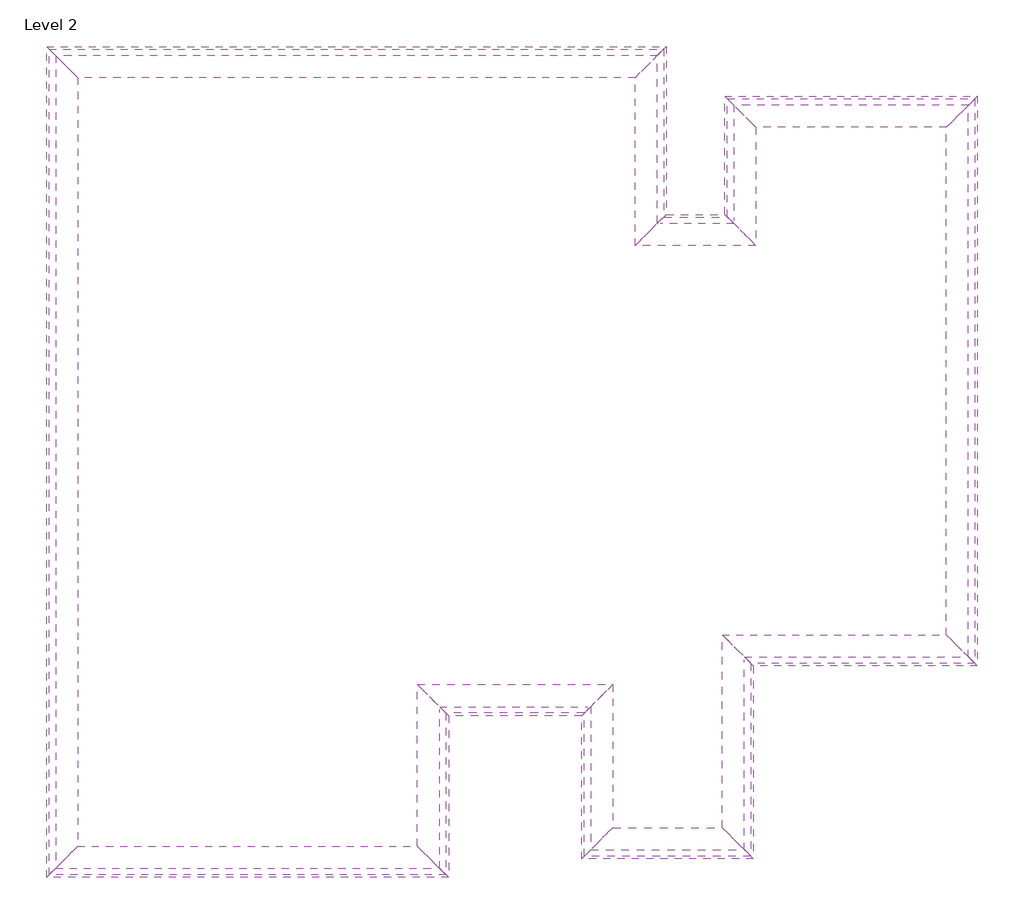
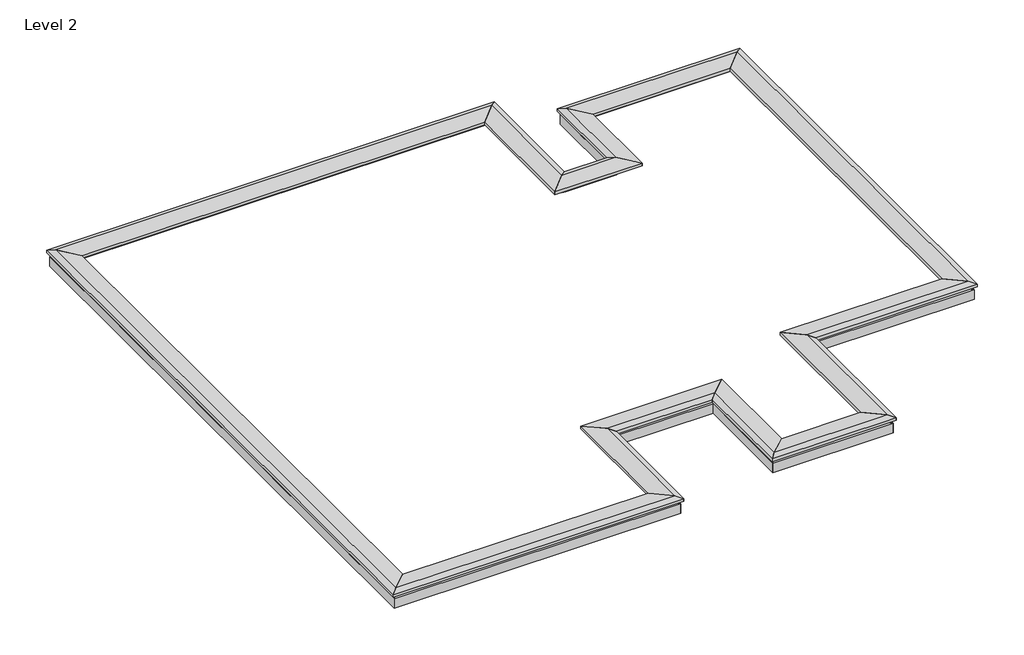
# One storey: 28 proxies.
"""IFC4 building model written with IfcOpenShell, lengths in millimetres."""

from ifc_helpers import new_model, si_unit, origin, place, context, project, spatial, faceted_brep, element, save

model = new_model("IFC4")

# Units and contexts
model_context = context("Model", 3, world=origin())
ifc_project = project(units=[si_unit("LENGTHUNIT", "METRE", prefix="MILLI")], contexts=[model_context])

# Site, building, storey
site = spatial("IfcSite", under=ifc_project)
building = spatial("IfcBuilding", under=site)
storey = spatial("IfcBuildingStorey", under=building, Name="Level 2", Elevation=4000.0)

# Proxies
placement = place(None, origin())
element("IfcBuildingElementProxy", 1, Name="Wall Sweeps", at=placement, inside=storey, context=model_context, shape_type="Brep", body=[
    faceted_brep([(-8078.0645365, 9714.9774509, 7925.0), (-8078.0645365, 9714.9774509, 7700.0), (-7975.5645365, 9612.4774509, 7700.0), (-7975.5645365, 9612.4774509, 7925.0), (1796.9354635, 9714.9774509, 7925.0), (1694.4354635, 9612.4774509, 7925.0), (1694.4354635, 9612.4774509, 7700.0), (1796.9354635, 9714.9774509, 7700.0), (-7715.5645365, 9612.4774509, 7700.0), (-7715.5645365, 9612.4774509, 7925.0)], [[[0, 1, 2, 3]], [[4, 5, 6, 7]], [[1, 0, 4, 7]], [[2, 1, 7, 6, 8]], [[3, 2, 8, 6, 5, 9]], [[0, 3, 9, 5, 4]]]),
])
element("IfcBuildingElementProxy", 2, Name="Wall Sweeps", at=placement, inside=storey, context=model_context, shape_type="Brep", body=[
    faceted_brep([(-7620.5645365, 9257.4774509, 8061.9), (-7993.9645365, 9630.8774509, 8100.0), (-8120.5645365, 9757.4774509, 8061.9), (-8120.5645365, 9757.4774509, 8000.0), (-7620.5645365, 9257.4774509, 8000.0), (1339.4354635, 9257.4774509, 8061.9), (1339.4354635, 9257.4774509, 8000.0), (1839.4354635, 9757.4774509, 8000.0), (1839.4354635, 9757.4774509, 8061.9), (1712.8354635, 9630.8774509, 8100.0)], [[[0, 1, 2, 3, 4]], [[5, 6, 7, 8, 9]], [[1, 0, 5, 9]], [[2, 1, 9, 8]], [[3, 2, 8, 7]], [[4, 3, 7, 6]], [[0, 4, 6, 5]]]),
])
element("IfcBuildingElementProxy", 3, Name="Wall Sweeps", at=placement, inside=storey, context=model_context, shape_type="Brep", body=[
    faceted_brep([(1796.9354635, 9714.9774509, 7925.0), (1796.9354635, 9714.9774509, 7700.0), (1694.4354635, 9612.4774509, 7700.0), (1694.4354635, 9612.4774509, 7925.0), (1796.9354635, 7014.9774509, 7925.0), (1694.4354635, 6912.4774509, 7925.0), (1694.4354635, 6912.4774509, 7700.0), (1796.9354635, 7014.9774509, 7700.0), (1694.4354635, 9352.4774509, 7700.0), (1694.4354635, 9352.4774509, 7925.0)], [[[0, 1, 2, 3]], [[4, 5, 6, 7]], [[1, 0, 4, 7]], [[2, 1, 7, 6, 8]], [[3, 2, 8, 6, 5, 9]], [[0, 3, 9, 5, 4]]]),
])
element("IfcBuildingElementProxy", 4, Name="Wall Sweeps", at=placement, inside=storey, context=model_context, shape_type="Brep", body=[
    faceted_brep([(1339.4354635, 9257.4774509, 8061.9), (1712.8354635, 9630.8774509, 8100.0), (1839.4354635, 9757.4774509, 8061.9), (1839.4354635, 9757.4774509, 8000.0), (1339.4354635, 9257.4774509, 8000.0), (1339.4354635, 6557.4774509, 8061.9), (1339.4354635, 6557.4774509, 8000.0), (1839.4354635, 7057.4774509, 8000.0), (1839.4354635, 7057.4774509, 8061.9), (1712.8354635, 6930.8774509, 8100.0)], [[[0, 1, 2, 3, 4]], [[5, 6, 7, 8, 9]], [[1, 0, 5, 9]], [[2, 1, 9, 8]], [[3, 2, 8, 7]], [[4, 3, 7, 6]], [[0, 4, 6, 5]]]),
])
element("IfcBuildingElementProxy", 5, Name="Wall Sweeps", at=placement, inside=storey, context=model_context, shape_type="Brep", body=[
    faceted_brep([(1796.9354635, 7014.9774509, 7925.0), (1796.9354635, 7014.9774509, 7700.0), (1694.4354635, 6912.4774509, 7700.0), (1694.4354635, 6912.4774509, 7925.0), (2821.9354635, 7014.9774509, 7925.0), (2924.4354635, 6912.4774509, 7925.0), (2924.4354635, 6912.4774509, 7700.0), (2821.9354635, 7014.9774509, 7700.0), (1784.4354635, 6912.4774509, 7700.0), (1784.4354635, 6912.4774509, 7925.0)], [[[0, 1, 2, 3]], [[4, 5, 6, 7]], [[1, 0, 4, 7]], [[2, 1, 7, 6, 8]], [[3, 2, 8, 6, 5, 9]], [[0, 3, 9, 5, 4]]]),
])
element("IfcBuildingElementProxy", 6, Name="Wall Sweeps", at=placement, inside=storey, context=model_context, shape_type="Brep", body=[
    faceted_brep([(1339.4354635, 6557.4774509, 8061.9), (1712.8354635, 6930.8774509, 8100.0), (1839.4354635, 7057.4774509, 8061.9), (1839.4354635, 7057.4774509, 8000.0), (1339.4354635, 6557.4774509, 8000.0), (3279.4354635, 6557.4774509, 8061.9), (3279.4354635, 6557.4774509, 8000.0), (2779.4354635, 7057.4774509, 8000.0), (2779.4354635, 7057.4774509, 8061.9), (2906.0354635, 6930.8774509, 8100.0)], [[[0, 1, 2, 3, 4]], [[5, 6, 7, 8, 9]], [[1, 0, 5, 9]], [[2, 1, 9, 8]], [[3, 2, 8, 7]], [[4, 3, 7, 6]], [[0, 4, 6, 5]]]),
])
element("IfcBuildingElementProxy", 7, Name="Wall Sweeps", at=placement, inside=storey, context=model_context, shape_type="Brep", body=[
    faceted_brep([(2821.9354635, 7014.9774509, 7925.0), (2821.9354635, 7014.9774509, 7700.0), (2924.4354635, 6912.4774509, 7700.0), (2924.4354635, 6912.4774509, 7925.0), (2821.9354635, 8914.9774509, 7925.0), (2924.4354635, 8812.4774509, 7925.0), (2924.4354635, 8812.4774509, 7700.0), (2821.9354635, 8914.9774509, 7700.0), (2924.4354635, 7002.4774509, 7700.0), (2924.4354635, 7002.4774509, 7925.0)], [[[0, 1, 2, 3]], [[4, 5, 6, 7]], [[1, 0, 4, 7]], [[2, 1, 7, 6, 8]], [[3, 2, 8, 6, 5, 9]], [[0, 3, 9, 5, 4]]]),
])
element("IfcBuildingElementProxy", 8, Name="Wall Sweeps", at=placement, inside=storey, context=model_context, shape_type="Brep", body=[
    faceted_brep([(3279.4354635, 6557.4774509, 8061.9), (2906.0354635, 6930.8774509, 8100.0), (2779.4354635, 7057.4774509, 8061.9), (2779.4354635, 7057.4774509, 8000.0), (3279.4354635, 6557.4774509, 8000.0), (3279.4354635, 8457.4774509, 8061.9), (3279.4354635, 8457.4774509, 8000.0), (2779.4354635, 8957.4774509, 8000.0), (2779.4354635, 8957.4774509, 8061.9), (2906.0354635, 8830.8774509, 8100.0)], [[[0, 1, 2, 3, 4]], [[5, 6, 7, 8, 9]], [[1, 0, 5, 9]], [[2, 1, 9, 8]], [[3, 2, 8, 7]], [[4, 3, 7, 6]], [[0, 4, 6, 5]]]),
])
element("IfcBuildingElementProxy", 9, Name="Wall Sweeps", at=placement, inside=storey, context=model_context, shape_type="Brep", body=[
    faceted_brep([(2821.9354635, 8914.9774509, 7925.0), (2821.9354635, 8914.9774509, 7700.0), (2924.4354635, 8812.4774509, 7700.0), (2924.4354635, 8812.4774509, 7925.0), (6796.9354635, 8914.9774509, 7925.0), (6694.4354635, 8812.4774509, 7925.0), (6694.4354635, 8812.4774509, 7700.0), (6796.9354635, 8914.9774509, 7700.0), (3184.4354635, 8812.4774509, 7700.0), (3184.4354635, 8812.4774509, 7925.0)], [[[0, 1, 2, 3]], [[4, 5, 6, 7]], [[1, 0, 4, 7]], [[2, 1, 7, 6, 8]], [[3, 2, 8, 6, 5, 9]], [[0, 3, 9, 5, 4]]]),
])
element("IfcBuildingElementProxy", 10, Name="Wall Sweeps", at=placement, inside=storey, context=model_context, shape_type="Brep", body=[
    faceted_brep([(3279.4354635, 8457.4774509, 8061.9), (2906.0354635, 8830.8774509, 8100.0), (2779.4354635, 8957.4774509, 8061.9), (2779.4354635, 8957.4774509, 8000.0), (3279.4354635, 8457.4774509, 8000.0), (6339.4354635, 8457.4774509, 8061.9), (6339.4354635, 8457.4774509, 8000.0), (6839.4354635, 8957.4774509, 8000.0), (6839.4354635, 8957.4774509, 8061.9), (6712.8354635, 8830.8774509, 8100.0)], [[[0, 1, 2, 3, 4]], [[5, 6, 7, 8, 9]], [[1, 0, 5, 9]], [[2, 1, 9, 8]], [[3, 2, 8, 7]], [[4, 3, 7, 6]], [[0, 4, 6, 5]]]),
])
element("IfcBuildingElementProxy", 11, Name="Wall Sweeps", at=placement, inside=storey, context=model_context, shape_type="Brep", body=[
    faceted_brep([(6796.9354635, 8914.9774509, 7925.0), (6796.9354635, 8914.9774509, 7700.0), (6694.4354635, 8812.4774509, 7700.0), (6694.4354635, 8812.4774509, 7925.0), (6796.9354635, -160.0225491, 7925.0), (6694.4354635, -57.5225491, 7925.0), (6694.4354635, -57.5225491, 7700.0), (6796.9354635, -160.0225491, 7700.0), (6694.4354635, 8552.4774509, 7700.0), (6694.4354635, 8552.4774509, 7925.0)], [[[0, 1, 2, 3]], [[4, 5, 6, 7]], [[1, 0, 4, 7]], [[2, 1, 7, 6, 8]], [[3, 2, 8, 6, 5, 9]], [[0, 3, 9, 5, 4]]]),
])
element("IfcBuildingElementProxy", 12, Name="Wall Sweeps", at=placement, inside=storey, context=model_context, shape_type="Brep", body=[
    faceted_brep([(6339.4354635, 8457.4774509, 8061.9), (6712.8354635, 8830.8774509, 8100.0), (6839.4354635, 8957.4774509, 8061.9), (6839.4354635, 8957.4774509, 8000.0), (6339.4354635, 8457.4774509, 8000.0), (6339.4354635, 297.4774509, 8061.9), (6339.4354635, 297.4774509, 8000.0), (6839.4354635, -202.5225491, 8000.0), (6839.4354635, -202.5225491, 8061.9), (6712.8354635, -75.9225491, 8100.0)], [[[0, 1, 2, 3, 4]], [[5, 6, 7, 8, 9]], [[1, 0, 5, 9]], [[2, 1, 9, 8]], [[3, 2, 8, 7]], [[4, 3, 7, 6]], [[0, 4, 6, 5]]]),
])
element("IfcBuildingElementProxy", 13, Name="Wall Sweeps", at=placement, inside=storey, context=model_context, shape_type="Brep", body=[
    faceted_brep([(6796.9354635, -160.0225491, 7925.0), (6796.9354635, -160.0225491, 7700.0), (6694.4354635, -57.5225491, 7700.0), (6694.4354635, -57.5225491, 7925.0), (3196.9354635, -160.0225491, 7925.0), (3094.4354635, -57.5225491, 7925.0), (3094.4354635, -57.5225491, 7700.0), (3196.9354635, -160.0225491, 7700.0), (6434.4354635, -57.5225491, 7700.0), (6434.4354635, -57.5225491, 7925.0)], [[[0, 1, 2, 3]], [[4, 5, 6, 7]], [[1, 0, 4, 7]], [[2, 1, 7, 6, 8]], [[3, 2, 8, 6, 5, 9]], [[0, 3, 9, 5, 4]]]),
])
element("IfcBuildingElementProxy", 14, Name="Wall Sweeps", at=placement, inside=storey, context=model_context, shape_type="Brep", body=[
    faceted_brep([(6339.4354635, 297.4774509, 8061.9), (6712.8354635, -75.9225491, 8100.0), (6839.4354635, -202.5225491, 8061.9), (6839.4354635, -202.5225491, 8000.0), (6339.4354635, 297.4774509, 8000.0), (2739.4354635, 297.4774509, 8061.9), (2739.4354635, 297.4774509, 8000.0), (3239.4354635, -202.5225491, 8000.0), (3239.4354635, -202.5225491, 8061.9), (3112.8354635, -75.9225491, 8100.0)], [[[0, 1, 2, 3, 4]], [[5, 6, 7, 8, 9]], [[1, 0, 5, 9]], [[2, 1, 9, 8]], [[3, 2, 8, 7]], [[4, 3, 7, 6]], [[0, 4, 6, 5]]]),
])
element("IfcBuildingElementProxy", 15, Name="Wall Sweeps", at=placement, inside=storey, context=model_context, shape_type="Brep", body=[
    faceted_brep([(3196.9354635, -160.0225491, 7925.0), (3196.9354635, -160.0225491, 7700.0), (3094.4354635, -57.5225491, 7700.0), (3094.4354635, -57.5225491, 7925.0), (3196.9354635, -3260.0225491, 7925.0), (3094.4354635, -3157.5225491, 7925.0), (3094.4354635, -3157.5225491, 7700.0), (3196.9354635, -3260.0225491, 7700.0), (3094.4354635, -147.5225491, 7700.0), (3094.4354635, -147.5225491, 7925.0)], [[[0, 1, 2, 3]], [[4, 5, 6, 7]], [[1, 0, 4, 7]], [[2, 1, 7, 6, 8]], [[3, 2, 8, 6, 5, 9]], [[0, 3, 9, 5, 4]]]),
])
element("IfcBuildingElementProxy", 16, Name="Wall Sweeps", at=placement, inside=storey, context=model_context, shape_type="Brep", body=[
    faceted_brep([(2739.4354635, 297.4774509, 8061.9), (3112.8354635, -75.9225491, 8100.0), (3239.4354635, -202.5225491, 8061.9), (3239.4354635, -202.5225491, 8000.0), (2739.4354635, 297.4774509, 8000.0), (2739.4354635, -2802.5225491, 8061.9), (2739.4354635, -2802.5225491, 8000.0), (3239.4354635, -3302.5225491, 8000.0), (3239.4354635, -3302.5225491, 8061.9), (3112.8354635, -3175.9225491, 8100.0)], [[[0, 1, 2, 3, 4]], [[5, 6, 7, 8, 9]], [[1, 0, 5, 9]], [[2, 1, 9, 8]], [[3, 2, 8, 7]], [[4, 3, 7, 6]], [[0, 4, 6, 5]]]),
])
element("IfcBuildingElementProxy", 17, Name="Wall Sweeps", at=placement, inside=storey, context=model_context, shape_type="Brep", body=[
    faceted_brep([(3196.9354635, -3260.0225491, 7925.0), (3196.9354635, -3260.0225491, 7700.0), (3094.4354635, -3157.5225491, 7700.0), (3094.4354635, -3157.5225491, 7925.0), (521.9354635, -3260.0225491, 7925.0), (624.4354635, -3157.5225491, 7925.0), (624.4354635, -3157.5225491, 7700.0), (521.9354635, -3260.0225491, 7700.0), (2834.4354635, -3157.5225491, 7700.0), (2834.4354635, -3157.5225491, 7925.0)], [[[0, 1, 2, 3]], [[4, 5, 6, 7]], [[1, 0, 4, 7]], [[2, 1, 7, 6, 8]], [[3, 2, 8, 6, 5, 9]], [[0, 3, 9, 5, 4]]]),
])
element("IfcBuildingElementProxy", 18, Name="Wall Sweeps", at=placement, inside=storey, context=model_context, shape_type="Brep", body=[
    faceted_brep([(2739.4354635, -2802.5225491, 8061.9), (3112.8354635, -3175.9225491, 8100.0), (3239.4354635, -3302.5225491, 8061.9), (3239.4354635, -3302.5225491, 8000.0), (2739.4354635, -2802.5225491, 8000.0), (979.4354635, -2802.5225491, 8061.9), (979.4354635, -2802.5225491, 8000.0), (479.4354635, -3302.5225491, 8000.0), (479.4354635, -3302.5225491, 8061.9), (606.0354635, -3175.9225491, 8100.0)], [[[0, 1, 2, 3, 4]], [[5, 6, 7, 8, 9]], [[1, 0, 5, 9]], [[2, 1, 9, 8]], [[3, 2, 8, 7]], [[4, 3, 7, 6]], [[0, 4, 6, 5]]]),
])
element("IfcBuildingElementProxy", 19, Name="Wall Sweeps", at=placement, inside=storey, context=model_context, shape_type="Brep", body=[
    faceted_brep([(521.9354635, -3260.0225491, 7925.0), (521.9354635, -3260.0225491, 7700.0), (624.4354635, -3157.5225491, 7700.0), (624.4354635, -3157.5225491, 7925.0), (521.9354635, -960.0225491, 7925.0), (624.4354635, -857.5225491, 7925.0), (624.4354635, -857.5225491, 7700.0), (521.9354635, -960.0225491, 7700.0), (624.4354635, -2897.5225491, 7700.0), (624.4354635, -2897.5225491, 7925.0)], [[[0, 1, 2, 3]], [[4, 5, 6, 7]], [[1, 0, 4, 7]], [[2, 1, 7, 6, 8]], [[3, 2, 8, 6, 5, 9]], [[0, 3, 9, 5, 4]]]),
])
element("IfcBuildingElementProxy", 20, Name="Wall Sweeps", at=placement, inside=storey, context=model_context, shape_type="Brep", body=[
    faceted_brep([(979.4354635, -2802.5225491, 8061.9), (606.0354635, -3175.9225491, 8100.0), (479.4354635, -3302.5225491, 8061.9), (479.4354635, -3302.5225491, 8000.0), (979.4354635, -2802.5225491, 8000.0), (979.4354635, -502.5225491, 8061.9), (979.4354635, -502.5225491, 8000.0), (479.4354635, -1002.5225491, 8000.0), (479.4354635, -1002.5225491, 8061.9), (606.0354635, -875.9225491, 8100.0)], [[[0, 1, 2, 3, 4]], [[5, 6, 7, 8, 9]], [[1, 0, 5, 9]], [[2, 1, 9, 8]], [[3, 2, 8, 7]], [[4, 3, 7, 6]], [[0, 4, 6, 5]]]),
])
element("IfcBuildingElementProxy", 21, Name="Wall Sweeps", at=placement, inside=storey, context=model_context, shape_type="Brep", body=[
    faceted_brep([(521.9354635, -960.0225491, 7925.0), (521.9354635, -960.0225491, 7700.0), (624.4354635, -857.5225491, 7700.0), (624.4354635, -857.5225491, 7925.0), (-1703.0645365, -960.0225491, 7925.0), (-1805.5645365, -857.5225491, 7925.0), (-1805.5645365, -857.5225491, 7700.0), (-1703.0645365, -960.0225491, 7700.0), (534.4354635, -857.5225491, 7700.0), (534.4354635, -857.5225491, 7925.0)], [[[0, 1, 2, 3]], [[4, 5, 6, 7]], [[1, 0, 4, 7]], [[2, 1, 7, 6, 8]], [[3, 2, 8, 6, 5, 9]], [[0, 3, 9, 5, 4]]]),
])
element("IfcBuildingElementProxy", 22, Name="Wall Sweeps", at=placement, inside=storey, context=model_context, shape_type="Brep", body=[
    faceted_brep([(979.4354635, -502.5225491, 8061.9), (606.0354635, -875.9225491, 8100.0), (479.4354635, -1002.5225491, 8061.9), (479.4354635, -1002.5225491, 8000.0), (979.4354635, -502.5225491, 8000.0), (-2160.5645365, -502.5225491, 8061.9), (-2160.5645365, -502.5225491, 8000.0), (-1660.5645365, -1002.5225491, 8000.0), (-1660.5645365, -1002.5225491, 8061.9), (-1787.1645365, -875.9225491, 8100.0)], [[[0, 1, 2, 3, 4]], [[5, 6, 7, 8, 9]], [[1, 0, 5, 9]], [[2, 1, 9, 8]], [[3, 2, 8, 7]], [[4, 3, 7, 6]], [[0, 4, 6, 5]]]),
])
element("IfcBuildingElementProxy", 23, Name="Wall Sweeps", at=placement, inside=storey, context=model_context, shape_type="Brep", body=[
    faceted_brep([(-1703.0645365, -960.0225491, 7925.0), (-1703.0645365, -960.0225491, 7700.0), (-1805.5645365, -857.5225491, 7700.0), (-1805.5645365, -857.5225491, 7925.0), (-1703.0645365, -3560.0225491, 7925.0), (-1805.5645365, -3457.5225491, 7925.0), (-1805.5645365, -3457.5225491, 7700.0), (-1703.0645365, -3560.0225491, 7700.0), (-1805.5645365, -947.5225491, 7700.0), (-1805.5645365, -947.5225491, 7925.0)], [[[0, 1, 2, 3]], [[4, 5, 6, 7]], [[1, 0, 4, 7]], [[2, 1, 7, 6, 8]], [[3, 2, 8, 6, 5, 9]], [[0, 3, 9, 5, 4]]]),
])
element("IfcBuildingElementProxy", 24, Name="Wall Sweeps", at=placement, inside=storey, context=model_context, shape_type="Brep", body=[
    faceted_brep([(-2160.5645365, -502.5225491, 8061.9), (-1787.1645365, -875.9225491, 8100.0), (-1660.5645365, -1002.5225491, 8061.9), (-1660.5645365, -1002.5225491, 8000.0), (-2160.5645365, -502.5225491, 8000.0), (-2160.5645365, -3102.5225491, 8061.9), (-2160.5645365, -3102.5225491, 8000.0), (-1660.5645365, -3602.5225491, 8000.0), (-1660.5645365, -3602.5225491, 8061.9), (-1787.1645365, -3475.9225491, 8100.0)], [[[0, 1, 2, 3, 4]], [[5, 6, 7, 8, 9]], [[1, 0, 5, 9]], [[2, 1, 9, 8]], [[3, 2, 8, 7]], [[4, 3, 7, 6]], [[0, 4, 6, 5]]]),
])
element("IfcBuildingElementProxy", 25, Name="Wall Sweeps", at=placement, inside=storey, context=model_context, shape_type="Brep", body=[
    faceted_brep([(-1703.0645365, -3560.0225491, 7925.0), (-1703.0645365, -3560.0225491, 7700.0), (-1805.5645365, -3457.5225491, 7700.0), (-1805.5645365, -3457.5225491, 7925.0), (-8078.0645365, -3560.0225491, 7925.0), (-7975.5645365, -3457.5225491, 7925.0), (-7975.5645365, -3457.5225491, 7700.0), (-8078.0645365, -3560.0225491, 7700.0), (-2065.5645365, -3457.5225491, 7700.0), (-2065.5645365, -3457.5225491, 7925.0)], [[[0, 1, 2, 3]], [[4, 5, 6, 7]], [[1, 0, 4, 7]], [[2, 1, 7, 6, 8]], [[3, 2, 8, 6, 5, 9]], [[0, 3, 9, 5, 4]]]),
])
element("IfcBuildingElementProxy", 26, Name="Wall Sweeps", at=placement, inside=storey, context=model_context, shape_type="Brep", body=[
    faceted_brep([(-2160.5645365, -3102.5225491, 8061.9), (-1787.1645365, -3475.9225491, 8100.0), (-1660.5645365, -3602.5225491, 8061.9), (-1660.5645365, -3602.5225491, 8000.0), (-2160.5645365, -3102.5225491, 8000.0), (-7620.5645365, -3102.5225491, 8061.9), (-7620.5645365, -3102.5225491, 8000.0), (-8120.5645365, -3602.5225491, 8000.0), (-8120.5645365, -3602.5225491, 8061.9), (-7993.9645365, -3475.9225491, 8100.0)], [[[0, 1, 2, 3, 4]], [[5, 6, 7, 8, 9]], [[1, 0, 5, 9]], [[2, 1, 9, 8]], [[3, 2, 8, 7]], [[4, 3, 7, 6]], [[0, 4, 6, 5]]]),
])
element("IfcBuildingElementProxy", 27, Name="Wall Sweeps", at=placement, inside=storey, context=model_context, shape_type="Brep", body=[
    faceted_brep([(-8078.0645365, -3560.0225491, 7925.0), (-8078.0645365, -3560.0225491, 7700.0), (-7975.5645365, -3457.5225491, 7700.0), (-7975.5645365, -3457.5225491, 7925.0), (-8078.0645365, 9714.9774509, 7925.0), (-7975.5645365, 9612.4774509, 7925.0), (-7975.5645365, 9612.4774509, 7700.0), (-8078.0645365, 9714.9774509, 7700.0), (-7975.5645365, -3197.5225491, 7700.0), (-7975.5645365, -3197.5225491, 7925.0)], [[[0, 1, 2, 3]], [[4, 5, 6, 7]], [[1, 0, 4, 7]], [[2, 1, 7, 6, 8]], [[3, 2, 8, 6, 5, 9]], [[0, 3, 9, 5, 4]]]),
])
element("IfcBuildingElementProxy", 28, Name="Wall Sweeps", at=placement, inside=storey, context=model_context, shape_type="Brep", body=[
    faceted_brep([(-7620.5645365, -3102.5225491, 8061.9), (-7993.9645365, -3475.9225491, 8100.0), (-8120.5645365, -3602.5225491, 8061.9), (-8120.5645365, -3602.5225491, 8000.0), (-7620.5645365, -3102.5225491, 8000.0), (-7620.5645365, 9257.4774509, 8061.9), (-7620.5645365, 9257.4774509, 8000.0), (-8120.5645365, 9757.4774509, 8000.0), (-8120.5645365, 9757.4774509, 8061.9), (-7993.9645365, 9630.8774509, 8100.0)], [[[0, 1, 2, 3, 4]], [[5, 6, 7, 8, 9]], [[1, 0, 5, 9]], [[2, 1, 9, 8]], [[3, 2, 8, 7]], [[4, 3, 7, 6]], [[0, 4, 6, 5]]]),
])

save(model, "model.ifc")
